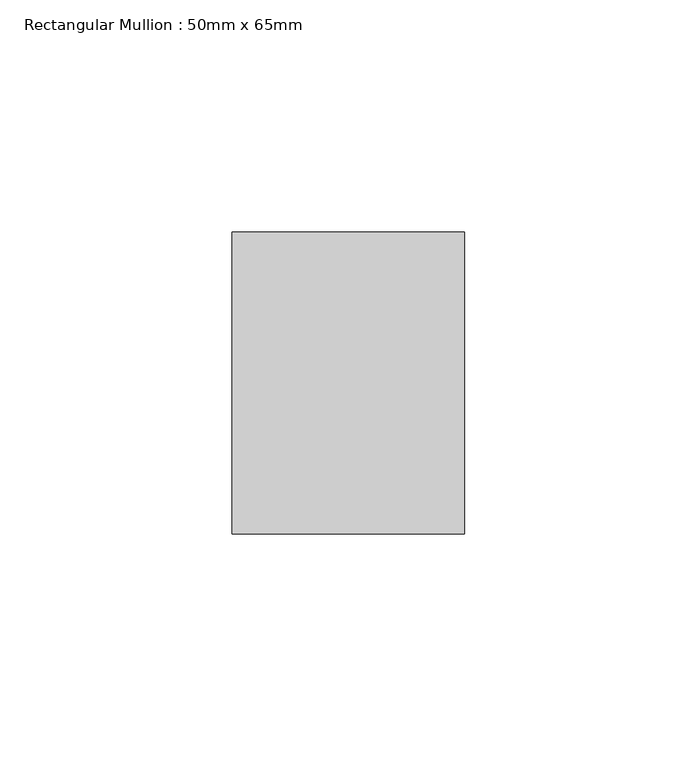
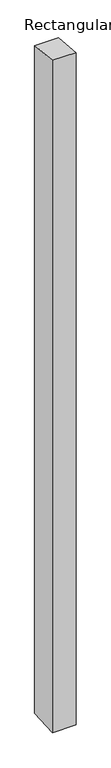
"""IFC4 building model written with IfcOpenShell, lengths in millimetres: member geometry, Rectangular Mullion : 50mm x 65mm."""

from ifc_helpers import new_model, si_unit, frame, origin, place, context, project, spatial, polyline, outline, extrude, source, transform, mapped, element, save


def rectangular_mullion_50mm_x_65mm_f026dd63(model_context):
    return source(origin(), model_context, "Body", "SweptSolid", [
        extrude(outline(polyline([(-32.5, 3.1469363), (32.5, -3.1469364), (32.5, -1497.8334404), (-32.5, -1502.1653958), (-32.5, 3.1469363)])), frame((-25.0, 0.0, 0.0), z_axis=(1.0, 0.0, 0.0), x_axis=(0.0, 1.0, 0.0)), (0.0, 0.0, 1.0), 50.0),
    ])


if __name__ == "__main__":
    model = new_model("IFC4")
    model_context = context("Model", 3, world=origin())
    ifc_project = project(units=[si_unit("LENGTHUNIT", "METRE", prefix="MILLI")], contexts=[model_context])
    site = spatial("IfcSite", under=ifc_project)
    building = spatial("IfcBuilding", under=site)
    placement = place(None, origin())
    rectangular_mullion_50mm_x_65mm_shape = rectangular_mullion_50mm_x_65mm_f026dd63(model_context)
    element("IfcMember", 1, ObjectType="Rectangular Mullion : 50mm x 65mm", at=placement, inside=building, context=model_context, shape_type="MappedRepresentation", body=[
        mapped(rectangular_mullion_50mm_x_65mm_shape, transform((0.0, 0.0, 0.0), x_axis=(1.0, 0.0, 0.0), y_axis=(0.0, 1.0, 0.0), z_axis=(0.0, 0.0, 1.0))),
    ])
    save(model, "model.ifc")
